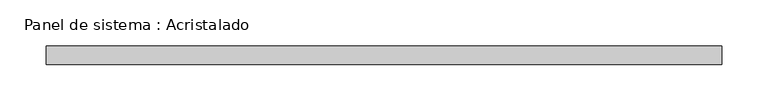
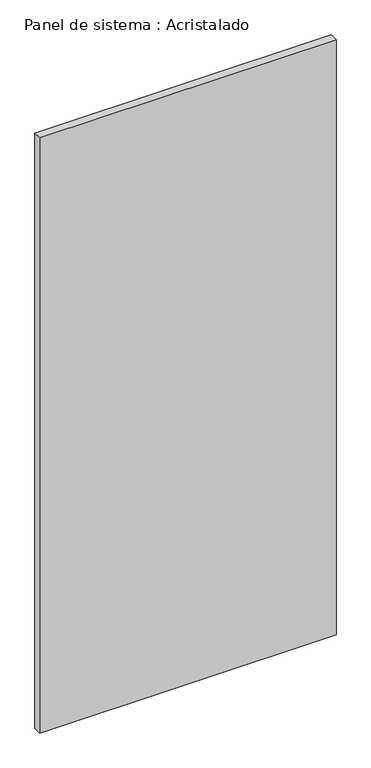
"""IFC4 building model written with IfcOpenShell, lengths in millimetres: plate geometry, Panel de sistema : Acristalado."""

from ifc_helpers import new_model, si_unit, origin, origin_with_axes, place, context, project, spatial, polyline, outline, extrude, source, transform, mapped, element, save


def panel_de_sistema_acristalado_47b56b71(model_context):
    return source(origin(), model_context, "Body", "SweptSolid", [
        extrude(outline(polyline([(365.0, -10.0), (-365.0, -10.0), (-365.0, 10.0), (365.0, 10.0), (365.0, -10.0)])), origin_with_axes(), (0.0, 0.0, 1.0), 1550.0),
    ])


if __name__ == "__main__":
    model = new_model("IFC4")
    model_context = context("Model", 3, world=origin())
    ifc_project = project(units=[si_unit("LENGTHUNIT", "METRE", prefix="MILLI")], contexts=[model_context])
    site = spatial("IfcSite", under=ifc_project)
    building = spatial("IfcBuilding", under=site)
    placement = place(None, origin())
    panel_de_sistema_acristalado_shape = panel_de_sistema_acristalado_47b56b71(model_context)
    element("IfcPlate", 1, ObjectType="Panel de sistema : Acristalado", at=placement, inside=building, context=model_context, shape_type="MappedRepresentation", body=[
        mapped(panel_de_sistema_acristalado_shape, transform((0.0, 0.0, 0.0), x_axis=(1.0, 0.0, 0.0), y_axis=(0.0, 1.0, 0.0), z_axis=(0.0, 0.0, 1.0))),
    ])
    save(model, "model.ifc")
